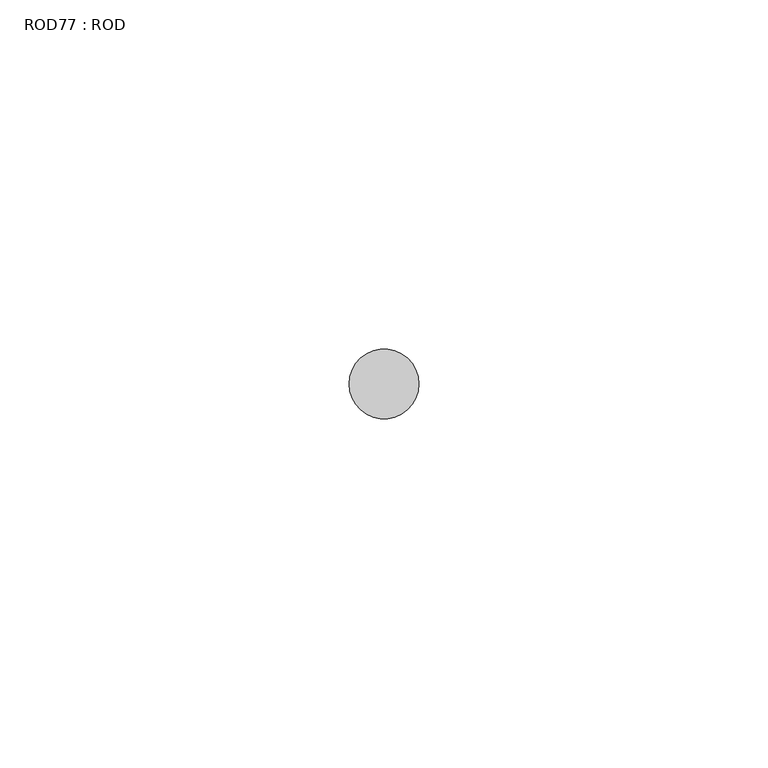
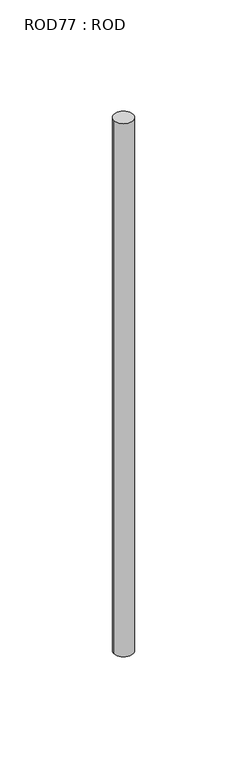
"""IFC4 building model written with IfcOpenShell, lengths in millimetres: proxy geometry, ROD77 : ROD."""

import ifcopenshell
import ifcopenshell.guid

model = None  # the IFC model being written
_history = None  # IfcOwnerHistory: only IFC2X3 demands one
_inside = {}  # id of a spatial element -> (the spatial element, [elements in it])
_under = {}  # id of a project, library or spatial element -> (it, [spatial elements below it])
_declared = {}  # id of a project -> (the project, [libraries it declares])
_typed = {}  # id of a type object -> (the type object, [elements of that type])
_made_of = {}  # id of a material, layer set ... -> (it, [elements and type objects made of it])


def new_model(schema):
    """Start an empty IFC model of exactly this schema.

    Asked for "IFC4X3", IfcOpenShell would pick the latest addendum, in which some entities
    have other attributes; the version numbers below select the first issue.
    IFC2X3 requires an IfcOwnerHistory on every rooted entity: one is made here for all.
    """
    global model, _history
    if schema == "IFC4X3":
        model = ifcopenshell.file(schema_version=(4, 3, 0, 0))
    else:
        model = ifcopenshell.file(schema=schema)
    _inside.clear()
    _under.clear()
    _declared.clear()
    _typed.clear()
    _made_of.clear()
    _history = None
    if model.schema == "IFC2X3":
        org = make("IfcOrganization", Name="unknown")
        user = make(
            "IfcPersonAndOrganization",
            ThePerson=make("IfcPerson", FamilyName="unknown"),
            TheOrganization=org,
        )
        app = make(
            "IfcApplication",
            ApplicationDeveloper=org,
            Version="unknown",
            ApplicationFullName="unknown",
            ApplicationIdentifier="unknown",
        )
        _history = make(
            "IfcOwnerHistory",
            OwningUser=user,
            OwningApplication=app,
            ChangeAction="ADDED",
            CreationDate=0,
        )
    return model


def make(cls, **values):
    """One entity of the class cls with the attributes given. An attribute that is None is left unset."""
    return model.create_entity(
        cls, **{name: value for name, value in values.items() if value is not None}
    )


def rooted(cls, **values):
    """An entity with a GlobalId (a new one), such as an element, a storey or a relation."""
    return make(cls, GlobalId=ifcopenshell.guid.new(), OwnerHistory=_history, **values)


def si_unit(unit_type, name, prefix=None):
    """IfcSIUnit, for example si_unit("LENGTHUNIT", "METRE", prefix="MILLI")."""
    return make("IfcSIUnit", UnitType=unit_type, Prefix=prefix, Name=name)


def assignment(units):
    """IfcUnitAssignment: the units of a project."""
    return None if units is None else make("IfcUnitAssignment", Units=units)


def point(xyz):
    """IfcCartesianPoint."""
    return None if xyz is None else make("IfcCartesianPoint", Coordinates=xyz)


def direction(xyz):
    """IfcDirection."""
    return None if xyz is None else make("IfcDirection", DirectionRatios=xyz)


def frame(location, z_axis=None, x_axis=None):
    """IfcAxis2Placement3D, a coordinate frame: its origin and axes. An axis left out is left unset."""
    return make(
        "IfcAxis2Placement3D",
        Location=point(location),
        Axis=direction(z_axis),
        RefDirection=direction(x_axis),
    )


def frame_2d(location, x_axis=None):
    """IfcAxis2Placement2D, a coordinate frame in the plane: its origin and x axis."""
    return make(
        "IfcAxis2Placement2D", Location=point(location), RefDirection=direction(x_axis)
    )


def origin():
    """The frame at (0, 0, 0) with its axes left unset."""
    return frame((0.0, 0.0, 0.0))


def place(relative_to, where):
    """IfcLocalPlacement: puts the frame where relative to a parent placement (None: the world)."""
    return make(
        "IfcLocalPlacement", PlacementRelTo=relative_to, RelativePlacement=where
    )


def context(
    kind, dimensions, precision=None, world=None, true_north=None, identifier=None
):
    """IfcGeometricRepresentationContext, for example the 3D "Model" context."""
    return make(
        "IfcGeometricRepresentationContext",
        ContextIdentifier=identifier,
        ContextType=kind,
        CoordinateSpaceDimension=dimensions,
        Precision=precision,
        WorldCoordinateSystem=world,
        TrueNorth=true_north,
    )


def project(units=None, contexts=None):
    """IfcProject with its units and contexts."""
    return rooted(
        "IfcProject",
        Name="project",
        RepresentationContexts=contexts,
        UnitsInContext=assignment(units),
    )


def spatial(cls, under=None, at=None, **own):
    """A site, building, storey or space (cls), placed at a placement, below another one or the project."""
    s = rooted(cls, ObjectPlacement=at, **own)
    if under is not None:
        _under.setdefault(under.id(), (under, []))[1].append(s)
    return s


def circle_curve(where, radius):
    """IfcCircle in the frame where."""
    return make("IfcCircle", Position=where, Radius=radius)


def trimmed(basis, trim1, trim2, sense, master):
    """IfcTrimmedCurve: the piece of a basis curve between two trims."""
    return make(
        "IfcTrimmedCurve",
        BasisCurve=basis,
        Trim1=trim1,
        Trim2=trim2,
        SenseAgreement=sense,
        MasterRepresentation=master,
    )


def segment(curve, same_sense, transition):
    """IfcCompositeCurveSegment."""
    return make(
        "IfcCompositeCurveSegment",
        Transition=transition,
        SameSense=same_sense,
        ParentCurve=curve,
    )


def composite_curve(segments, self_intersect=None):
    """IfcCompositeCurve: segments joined end to end."""
    return make("IfcCompositeCurve", Segments=segments, SelfIntersect=self_intersect)


def outline(outer, holes=None, kind="AREA"):
    """IfcArbitraryClosedProfileDef: a profile drawn as a closed curve; with holes, ...WithVoids."""
    if holes is None:
        return make("IfcArbitraryClosedProfileDef", ProfileType=kind, OuterCurve=outer)
    return make(
        "IfcArbitraryProfileDefWithVoids",
        ProfileType=kind,
        OuterCurve=outer,
        InnerCurves=holes,
    )


def extrude(swept, where, along, depth):
    """IfcExtrudedAreaSolid: the profile swept, set in the frame where, extruded along a direction by depth."""
    return make(
        "IfcExtrudedAreaSolid",
        SweptArea=swept,
        Position=where,
        ExtrudedDirection=direction(along),
        Depth=depth,
    )


def shape(context_of_items, identifier, shape_type, items):
    """IfcShapeRepresentation: the items that make up one representation, for example the "Body"."""
    return make(
        "IfcShapeRepresentation",
        ContextOfItems=context_of_items,
        RepresentationIdentifier=identifier,
        RepresentationType=shape_type,
        Items=items,
    )


def source(mapping_origin, context_of_items, identifier, shape_type, items):
    """IfcRepresentationMap: a shape defined once, which mapped items show again and again."""
    return make(
        "IfcRepresentationMap",
        MappingOrigin=mapping_origin,
        MappedRepresentation=shape(context_of_items, identifier, shape_type, items),
    )


def transform(
    local_origin,
    x_axis=None,
    y_axis=None,
    z_axis=None,
    scale=None,
    scale2=None,
    scale3=None,
    uniform=True,
):
    """IfcCartesianTransformationOperator3D, or its non-uniform kind. x_axis, y_axis, z_axis: its Axis1, 2, 3."""
    if uniform:
        return make(
            "IfcCartesianTransformationOperator3D",
            Axis1=direction(x_axis),
            Axis2=direction(y_axis),
            LocalOrigin=point(local_origin),
            Scale=scale,
            Axis3=direction(z_axis),
        )
    return make(
        "IfcCartesianTransformationOperator3DnonUniform",
        Axis1=direction(x_axis),
        Axis2=direction(y_axis),
        LocalOrigin=point(local_origin),
        Scale=scale,
        Axis3=direction(z_axis),
        Scale2=scale2,
        Scale3=scale3,
    )


def mapped(mapping_source, mapping_target):
    """IfcMappedItem: shows the shape of a source again, moved by a transform."""
    return make(
        "IfcMappedItem", MappingSource=mapping_source, MappingTarget=mapping_target
    )


def made_of(thing, what):
    """Note that an element or type object is made of a material, layer set ...; save() writes the relation."""
    if what is not None:
        _made_of.setdefault(what.id(), (what, []))[1].append(thing)
    return thing


def element(
    cls,
    number,
    at=None,
    inside=None,
    cuts=None,
    type_object=None,
    material=None,
    context=None,
    identifier="Body",
    shape_type=None,
    held_by="IfcProductDefinitionShape",
    body=None,
    shapes=None,
    **own,
):
    """One element of the class cls, such as IfcWall. Its Tag is "e" and its number.

    at: its placement. inside: the storey or other place that contains it. cuts: it is an
    opening in that element (IfcRelVoidsElement). A single representation is given by context,
    identifier, shape_type and body (its items); several are given by shapes. held_by: the class
    of the entity that holds the representations. save() writes the other relations.
    """
    e = rooted(cls, Tag="e%d" % number, ObjectPlacement=at, **own)
    if body is not None:
        shapes = [shape(context, identifier, shape_type, body)]
    if shapes is not None:
        e.Representation = make(held_by, Representations=shapes)
    if inside is not None:
        _inside.setdefault(inside.id(), (inside, []))[1].append(e)
    if cuts is not None:
        rooted(
            "IfcRelVoidsElement", RelatingBuildingElement=cuts, RelatedOpeningElement=e
        )
    if type_object is not None:
        _typed.setdefault(type_object.id(), (type_object, []))[1].append(e)
    return made_of(e, material)


def aggregate(whole, parts):
    """IfcRelAggregates: a whole, such as a stair, and the parts it consists of."""
    return rooted("IfcRelAggregates", RelatingObject=whole, RelatedObjects=parts)


def save(model, path):
    """Write the relations noted so far, then the file.

    IfcRelAggregates (storeys below a building ...), IfcRelContainedInSpatialStructure (elements
    in a storey), IfcRelDefinesByType, IfcRelAssociatesMaterial and IfcRelDeclares: one each for
    every whole, place, type object, material and project.
    """
    for whole, parts in _under.values():
        aggregate(whole, parts)
    for where, things in _inside.values():
        rooted(
            "IfcRelContainedInSpatialStructure",
            RelatedElements=things,
            RelatingStructure=where,
        )
    for kind, things in _typed.values():
        rooted("IfcRelDefinesByType", RelatedObjects=things, RelatingType=kind)
    for what, things in _made_of.values():
        rooted("IfcRelAssociatesMaterial", RelatedObjects=things, RelatingMaterial=what)
    for by, libraries in _declared.values():
        rooted("IfcRelDeclares", RelatingContext=by, RelatedDefinitions=libraries)
    model.write(path)


def rod77_rod_9dd3afbe(model_context):
    return source(origin(), model_context, "Body", "SweptSolid", [
        extrude(outline(composite_curve([segment(trimmed(circle_curve(frame_2d((7199.7673324, -10466.6028424)), 5.0), [point((7194.7673324, -10466.6028424))], [point((7204.7673324, -10466.6028424))], False, "CARTESIAN"), True, "CONTINUOUS"), segment(trimmed(circle_curve(frame_2d((7199.7673324, -10466.6028424)), 5.0), [point((7204.7673324, -10466.6028424))], [point((7194.7673324, -10466.6028424))], False, "CARTESIAN"), True, "CONTINUOUS")], self_intersect=False)), frame((0.0, 0.0, -108.6608845), z_axis=(0.0, 0.0, 1.0), x_axis=(1.0, 0.0, 0.0)), (0.0, 0.0, 1.0), 298.9028972),
    ])


if __name__ == "__main__":
    model = new_model("IFC4")
    model_context = context("Model", 3, world=origin())
    ifc_project = project(units=[si_unit("LENGTHUNIT", "METRE", prefix="MILLI")], contexts=[model_context])
    site = spatial("IfcSite", under=ifc_project)
    building = spatial("IfcBuilding", under=site)
    placement = place(None, origin())
    rod77_rod_shape = rod77_rod_9dd3afbe(model_context)
    element("IfcBuildingElementProxy", 1, Name="ROD77 : ROD", ObjectType="ROD77 : ROD", at=placement, inside=building, context=model_context, shape_type="MappedRepresentation", body=[
        mapped(rod77_rod_shape, transform((0.0, 0.0, 0.0), x_axis=(1.0, 0.0, 0.0), y_axis=(0.0, 1.0, 0.0), z_axis=(0.0, 0.0, 1.0))),
    ])
    save(model, "model.ifc")
